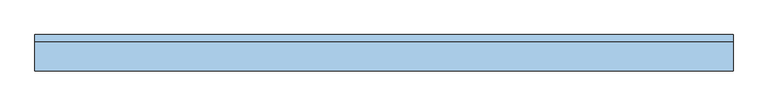
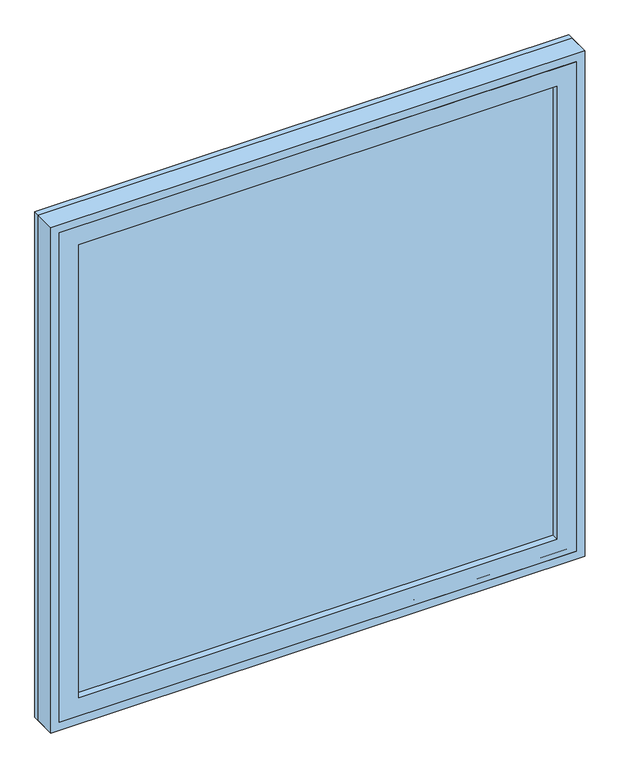
"""IFC4 building model written with IfcOpenShell, lengths in millimetres: window geometry."""

from ifc_helpers import new_model, si_unit, frame, origin, place, context, project, spatial, polyline, outline, extrude, source, transform, mapped, element, save


def window_bd9ba478(model_context):
    return source(origin(), model_context, "Body", "SweptSolid", [
        extrude(outline(polyline([(508.0, -41.275), (-584.2, -41.275), (-584.2, -28.575), (508.0, -28.575), (508.0, -41.275)])), frame((0.0, 0.0, 977.9), z_axis=(0.0, 0.0, 1.0), x_axis=(1.0, 0.0, 0.0)), (0.0, 0.0, 1.0), 1092.2),
        extrude(outline(polyline([(2114.55, -628.65), (933.45, -628.65), (933.45, 552.45), (2114.55, 552.45), (2114.55, -628.65)]), holes=[polyline([(2070.1, -584.2), (2070.1, 508.0), (977.9, 508.0), (977.9, -584.2), (2070.1, -584.2)])]), frame((0.0, -57.15, 0.0), z_axis=(0.0, 1.0, 0.0), x_axis=(0.0, 0.0, 1.0)), (0.0, 0.0, 1.0), 44.45),
        extrude(outline(polyline([(2133.6, -647.7), (914.4, -647.7), (914.4, 571.5), (2133.6, 571.5), (2133.6, -647.7)]), holes=[polyline([(2101.85, -615.95), (2101.85, 539.75), (946.15, 539.75), (946.15, -615.95), (2101.85, -615.95)])]), frame((0.0, -57.15, 0.0), z_axis=(0.0, 1.0, 0.0), x_axis=(0.0, 0.0, 1.0)), (0.0, 0.0, 1.0), 50.8),
        extrude(outline(polyline([(2133.6, 571.5), (2133.6, -647.7), (914.4, -647.7), (914.4, 571.5), (2133.6, 571.5)]), holes=[polyline([(2114.55, 552.45), (933.45, 552.45), (933.45, -628.65), (2114.55, -628.65), (2114.55, 552.45)])]), frame((0.0, -57.15, 0.0), z_axis=(0.0, 1.0, 0.0), x_axis=(0.0, 0.0, 1.0)), (0.0, 0.0, 1.0), 63.5),
    ])


if __name__ == "__main__":
    model = new_model("IFC4")
    model_context = context("Model", 3, world=origin())
    ifc_project = project(units=[si_unit("LENGTHUNIT", "METRE", prefix="MILLI")], contexts=[model_context])
    site = spatial("IfcSite", under=ifc_project)
    building = spatial("IfcBuilding", under=site)
    placement = place(None, origin())
    window_shape = window_bd9ba478(model_context)
    element("IfcWindow", 1, at=placement, inside=building, context=model_context, shape_type="MappedRepresentation", body=[
        mapped(window_shape, transform((0.0, 0.0, 0.0), x_axis=(1.0, 0.0, 0.0), y_axis=(0.0, 1.0, 0.0), z_axis=(0.0, 0.0, 1.0))),
    ])
    save(model, "model.ifc")
